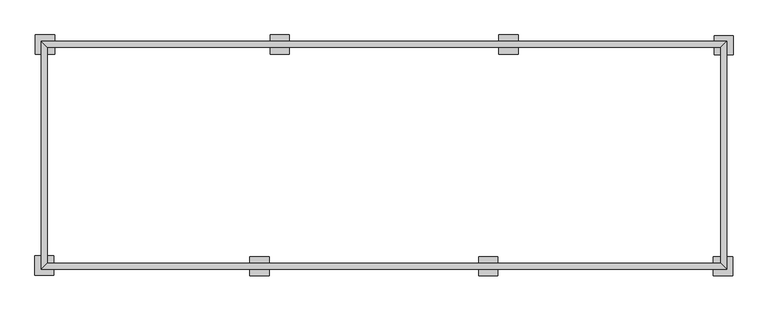
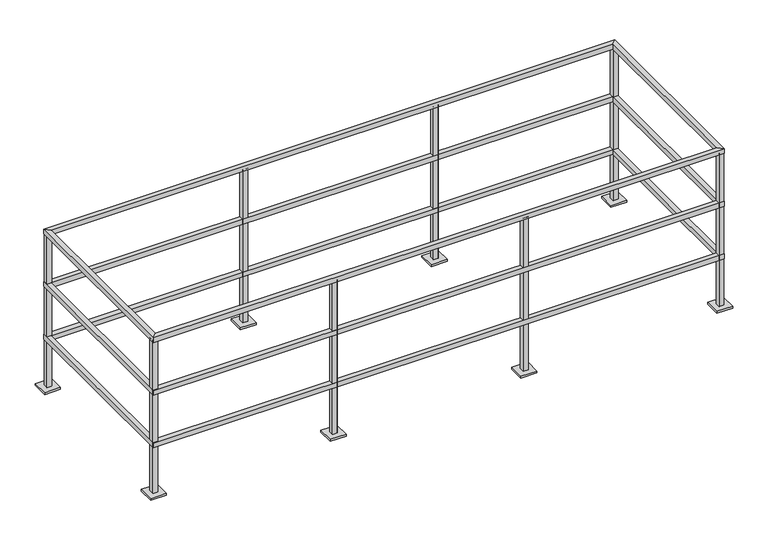
"""IFC4 building model written with IfcOpenShell, lengths in millimetres: railing geometry."""

from ifc_helpers import new_model, si_unit, frame, origin, origin_with_axes, place, context, project, spatial, polyline, outline, extrude, faceted_brep, source, transform, mapped, element, save


def railing_03d9face(model_context):
    return source(origin(), model_context, "Body", "SolidModel", [
        faceted_brep([(-5230.5458618, -10591.2102856, 1066.8), (-5262.2958618, -10622.9602856, 1066.8), (-1611.0458618, -10622.9602856, 1066.8), (-1642.7958618, -10591.2102856, 1066.8), (-5262.2958618, -10622.9602856, 1035.05), (-1611.0458618, -10622.9602856, 1035.05), (-5230.5458618, -10591.2102856, 1035.05), (-1642.7958618, -10591.2102856, 1035.05), (-1642.7958618, -9441.8602856, 1066.8), (-1642.7958618, -9441.8602856, 1035.05), (-1611.0458618, -9410.1102856, 1035.05), (-1611.0458618, -9410.1102856, 1066.8), (-5230.5458618, -9441.8602856, 1066.8), (-5230.5458618, -9441.8602856, 1035.05), (-5262.2958618, -9410.1102856, 1035.05), (-5262.2958618, -9410.1102856, 1066.8)], [[[0, 1, 2, 3]], [[1, 4, 5, 2]], [[4, 6, 7, 5]], [[6, 0, 3, 7]], [[7, 3, 8, 9]], [[5, 7, 9, 10]], [[2, 5, 10, 11]], [[3, 2, 11, 8]], [[9, 8, 12, 13]], [[10, 9, 13, 14]], [[11, 10, 14, 15]], [[8, 11, 15, 12]], [[13, 12, 0, 6]], [[14, 13, 6, 4]], [[15, 14, 4, 1]], [[12, 15, 1, 0]]]),
        faceted_brep([(-1642.7958618, -10591.2102856, 679.45), (-1642.7958618, -10591.2102856, 711.2), (-1642.7958618, -9441.8602856, 711.2), (-1642.7958618, -9441.8602856, 679.45), (-1611.0458618, -10622.9602856, 679.45), (-1611.0458618, -9410.1102856, 679.45), (-1611.0458618, -10622.9602856, 711.2), (-1611.0458618, -9410.1102856, 711.2), (-5230.5458618, -9441.8602856, 711.2), (-5230.5458618, -9441.8602856, 679.45), (-5262.2958618, -9410.1102856, 679.45), (-5262.2958618, -9410.1102856, 711.2), (-5230.5458618, -10591.2102856, 711.2), (-5230.5458618, -10591.2102856, 679.45), (-5262.2958618, -10622.9602856, 679.45), (-5262.2958618, -10622.9602856, 711.2)], [[[0, 1, 2, 3]], [[4, 0, 3, 5]], [[6, 4, 5, 7]], [[1, 6, 7, 2]], [[3, 2, 8, 9]], [[5, 3, 9, 10]], [[7, 5, 10, 11]], [[2, 7, 11, 8]], [[9, 8, 12, 13]], [[10, 9, 13, 14]], [[11, 10, 14, 15]], [[8, 11, 15, 12]], [[13, 12, 1, 0]], [[14, 13, 0, 4]], [[15, 14, 4, 6]], [[12, 15, 6, 1]]]),
        faceted_brep([(-1642.7958618, -10591.2102856, 323.85), (-1642.7958618, -10591.2102856, 355.6), (-1642.7958618, -9441.8602856, 355.6), (-1642.7958618, -9441.8602856, 323.85), (-1611.0458618, -10622.9602856, 323.85), (-1611.0458618, -9410.1102856, 323.85), (-1611.0458618, -10622.9602856, 355.6), (-1611.0458618, -9410.1102856, 355.6), (-5230.5458618, -9441.8602856, 355.6), (-5230.5458618, -9441.8602856, 323.85), (-5262.2958618, -9410.1102856, 323.85), (-5262.2958618, -9410.1102856, 355.6), (-5230.5458618, -10591.2102856, 355.6), (-5230.5458618, -10591.2102856, 323.85), (-5262.2958618, -10622.9602856, 323.85), (-5262.2958618, -10622.9602856, 355.6)], [[[0, 1, 2, 3]], [[4, 0, 3, 5]], [[6, 4, 5, 7]], [[1, 6, 7, 2]], [[3, 2, 8, 9]], [[5, 3, 9, 10]], [[7, 5, 10, 11]], [[2, 7, 11, 8]], [[9, 8, 12, 13]], [[10, 9, 13, 14]], [[11, 10, 14, 15]], [[8, 11, 15, 12]], [[13, 12, 1, 0]], [[14, 13, 0, 4]], [[15, 14, 4, 6]], [[12, 15, 6, 1]]]),
        extrude(outline(polyline([(-2865.1355971, -10622.9602856), (-2896.8855971, -10622.9602856), (-2896.8855971, -10591.2102856), (-2865.1355971, -10591.2102856), (-2865.1355971, -10622.9602856)]), holes=[polyline([(-2895.2980971, -10592.7977856), (-2895.2980971, -10621.3727856), (-2866.7230971, -10621.3727856), (-2866.7230971, -10592.7977856), (-2895.2980971, -10592.7977856)])]), frame((0.0, 0.0, 12.7), z_axis=(0.0, 0.0, 1.0), x_axis=(1.0, 0.0, 0.0)), (0.0, 0.0, 1.0), 1035.05),
        extrude(outline(polyline([(-2830.2105971, -10556.2852856), (-2830.2105971, -10657.8852856), (-2931.8105971, -10657.8852856), (-2931.8105971, -10556.2852856), (-2830.2105971, -10556.2852856)])), origin_with_axes(), (0.0, 0.0, 1.0), 12.7),
        extrude(outline(polyline([(-4084.3355971, -10622.9602856), (-4116.0855971, -10622.9602856), (-4116.0855971, -10591.2102856), (-4084.3355971, -10591.2102856), (-4084.3355971, -10622.9602856)]), holes=[polyline([(-4114.4980971, -10592.7977856), (-4114.4980971, -10621.3727856), (-4085.9230971, -10621.3727856), (-4085.9230971, -10592.7977856), (-4114.4980971, -10592.7977856)])]), frame((0.0, 0.0, 12.7), z_axis=(0.0, 0.0, 1.0), x_axis=(1.0, 0.0, 0.0)), (0.0, 0.0, 1.0), 1035.05),
        extrude(outline(polyline([(-4049.4105971, -10556.2852856), (-4049.4105971, -10657.8852856), (-4151.0105971, -10657.8852856), (-4151.0105971, -10556.2852856), (-4049.4105971, -10556.2852856)])), origin_with_axes(), (0.0, 0.0, 1.0), 12.7),
        extrude(outline(polyline([(-4008.2061266, -9410.1102856), (-3976.4561266, -9410.1102856), (-3976.4561266, -9441.8602856), (-4008.2061266, -9441.8602856), (-4008.2061266, -9410.1102856)]), holes=[polyline([(-3978.0436266, -9440.2727856), (-3978.0436266, -9411.6977856), (-4006.6186266, -9411.6977856), (-4006.6186266, -9440.2727856), (-3978.0436266, -9440.2727856)])]), frame((0.0, 0.0, 12.7), z_axis=(0.0, 0.0, 1.0), x_axis=(1.0, 0.0, 0.0)), (0.0, 0.0, 1.0), 1035.05),
        extrude(outline(polyline([(-4043.1311266, -9476.7852856), (-4043.1311266, -9375.1852856), (-3941.5311266, -9375.1852856), (-3941.5311266, -9476.7852856), (-4043.1311266, -9476.7852856)])), origin_with_axes(), (0.0, 0.0, 1.0), 12.7),
        extrude(outline(polyline([(-2789.0061266, -9410.1102856), (-2757.2561266, -9410.1102856), (-2757.2561266, -9441.8602856), (-2789.0061266, -9441.8602856), (-2789.0061266, -9410.1102856)]), holes=[polyline([(-2758.8436266, -9440.2727856), (-2758.8436266, -9411.6977856), (-2787.4186266, -9411.6977856), (-2787.4186266, -9440.2727856), (-2758.8436266, -9440.2727856)])]), frame((0.0, 0.0, 12.7), z_axis=(0.0, 0.0, 1.0), x_axis=(1.0, 0.0, 0.0)), (0.0, 0.0, 1.0), 1035.05),
        extrude(outline(polyline([(-2823.9311266, -9476.7852856), (-2823.9311266, -9375.1852856), (-2722.3311266, -9375.1852856), (-2722.3311266, -9476.7852856), (-2823.9311266, -9476.7852856)])), origin_with_axes(), (0.0, 0.0, 1.0), 12.7),
        extrude(outline(polyline([(-1614.1855971, -10622.9602856), (-1645.9355971, -10622.9602856), (-1645.9355971, -10591.2102856), (-1614.1855971, -10591.2102856), (-1614.1855971, -10622.9602856)]), holes=[polyline([(-1644.3480971, -10592.7977856), (-1644.3480971, -10621.3727856), (-1615.7730971, -10621.3727856), (-1615.7730971, -10592.7977856), (-1644.3480971, -10592.7977856)])]), frame((0.0, 0.0, 12.7), z_axis=(0.0, 0.0, 1.0), x_axis=(1.0, 0.0, 0.0)), (0.0, 0.0, 1.0), 1035.05),
        extrude(outline(polyline([(-1579.2605971, -10556.2852856), (-1579.2605971, -10657.8852856), (-1680.8605971, -10657.8852856), (-1680.8605971, -10556.2852856), (-1579.2605971, -10556.2852856)])), origin_with_axes(), (0.0, 0.0, 1.0), 12.7),
        extrude(outline(polyline([(-5262.2958618, -10619.8205503), (-5262.2958618, -10588.0705503), (-5230.5458618, -10588.0705503), (-5230.5458618, -10619.8205503), (-5262.2958618, -10619.8205503)]), holes=[polyline([(-5232.1333618, -10589.6580503), (-5260.7083618, -10589.6580503), (-5260.7083618, -10618.2330503), (-5232.1333618, -10618.2330503), (-5232.1333618, -10589.6580503)])]), frame((0.0, 0.0, 12.7), z_axis=(0.0, 0.0, 1.0), x_axis=(1.0, 0.0, 0.0)), (0.0, 0.0, 1.0), 1035.05),
        extrude(outline(polyline([(-5195.6208618, -10654.7455503), (-5297.2208618, -10654.7455503), (-5297.2208618, -10553.1455503), (-5195.6208618, -10553.1455503), (-5195.6208618, -10654.7455503)])), origin_with_axes(), (0.0, 0.0, 1.0), 12.7),
        extrude(outline(polyline([(-5259.1561266, -9410.1102856), (-5227.4061266, -9410.1102856), (-5227.4061266, -9441.8602856), (-5259.1561266, -9441.8602856), (-5259.1561266, -9410.1102856)]), holes=[polyline([(-5228.9936266, -9440.2727856), (-5228.9936266, -9411.6977856), (-5257.5686266, -9411.6977856), (-5257.5686266, -9440.2727856), (-5228.9936266, -9440.2727856)])]), frame((0.0, 0.0, 12.7), z_axis=(0.0, 0.0, 1.0), x_axis=(1.0, 0.0, 0.0)), (0.0, 0.0, 1.0), 1035.05),
        extrude(outline(polyline([(-5294.0811266, -9476.7852856), (-5294.0811266, -9375.1852856), (-5192.4811266, -9375.1852856), (-5192.4811266, -9476.7852856), (-5294.0811266, -9476.7852856)])), origin_with_axes(), (0.0, 0.0, 1.0), 12.7),
        extrude(outline(polyline([(-1611.0458618, -9413.2500209), (-1611.0458618, -9445.0000209), (-1642.7958618, -9445.0000209), (-1642.7958618, -9413.2500209), (-1611.0458618, -9413.2500209)]), holes=[polyline([(-1641.2083618, -9443.4125209), (-1612.6333618, -9443.4125209), (-1612.6333618, -9414.8375209), (-1641.2083618, -9414.8375209), (-1641.2083618, -9443.4125209)])]), frame((0.0, 0.0, 12.7), z_axis=(0.0, 0.0, 1.0), x_axis=(1.0, 0.0, 0.0)), (0.0, 0.0, 1.0), 1035.05),
        extrude(outline(polyline([(-1677.7208618, -9378.3250209), (-1576.1208618, -9378.3250209), (-1576.1208618, -9479.9250209), (-1677.7208618, -9479.9250209), (-1677.7208618, -9378.3250209)])), origin_with_axes(), (0.0, 0.0, 1.0), 12.7),
    ])


if __name__ == "__main__":
    model = new_model("IFC4")
    model_context = context("Model", 3, world=origin())
    ifc_project = project(units=[si_unit("LENGTHUNIT", "METRE", prefix="MILLI")], contexts=[model_context])
    site = spatial("IfcSite", under=ifc_project)
    building = spatial("IfcBuilding", under=site)
    placement = place(None, origin())
    railing_shape = railing_03d9face(model_context)
    element("IfcRailing", 1, at=placement, inside=building, context=model_context, shape_type="MappedRepresentation", body=[
        mapped(railing_shape, transform((0.0, 0.0, 0.0), x_axis=(1.0, 0.0, 0.0), y_axis=(0.0, 1.0, 0.0), z_axis=(0.0, 0.0, 1.0))),
    ])
    save(model, "model.ifc")
